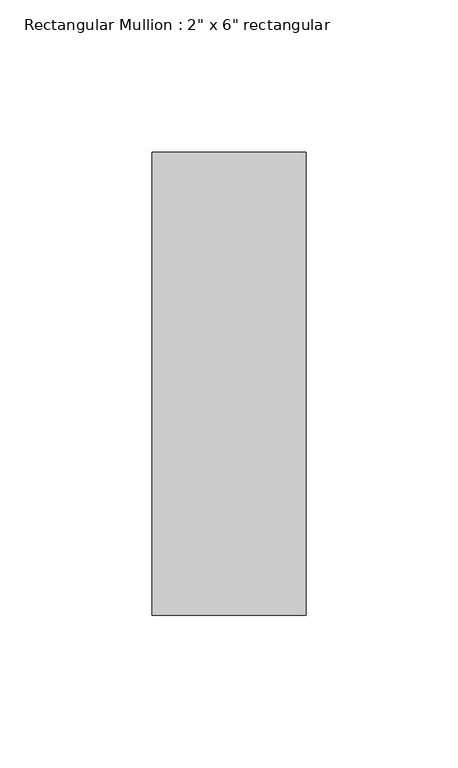
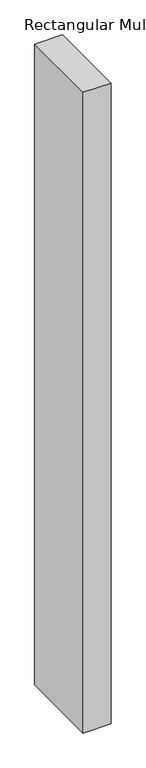
"""IFC4 building model written with IfcOpenShell, lengths in millimetres: member geometry."""

from ifc_helpers import new_model, si_unit, frame, origin, place, context, project, spatial, polyline, outline, extrude, source, transform, mapped, element, save


def member_5c25283d(model_context):
    return source(origin(), model_context, "Body", "SweptSolid", [
        extrude(outline(polyline([(25.4, 76.2), (25.4, -76.2), (-25.4, -76.2), (-25.4, 76.2), (25.4, 76.2)])), frame((0.0, 0.0, -1227.6666667), z_axis=(0.0, 0.0, 1.0), x_axis=(1.0, 0.0, 0.0)), (0.0, 0.0, 1.0), 1227.6666667),
    ])


if __name__ == "__main__":
    model = new_model("IFC4")
    model_context = context("Model", 3, world=origin())
    ifc_project = project(units=[si_unit("LENGTHUNIT", "METRE", prefix="MILLI")], contexts=[model_context])
    site = spatial("IfcSite", under=ifc_project)
    building = spatial("IfcBuilding", under=site)
    placement = place(None, origin())
    member_shape = member_5c25283d(model_context)
    element("IfcMember", 1, ObjectType="Rectangular Mullion : 2\" x 6\" rectangular", at=placement, inside=building, context=model_context, shape_type="MappedRepresentation", body=[
        mapped(member_shape, transform((0.0, 0.0, 0.0), x_axis=(1.0, 0.0, 0.0), y_axis=(0.0, 1.0, 0.0), z_axis=(0.0, 0.0, 1.0))),
    ])
    save(model, "model.ifc")
